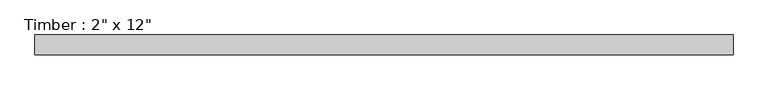
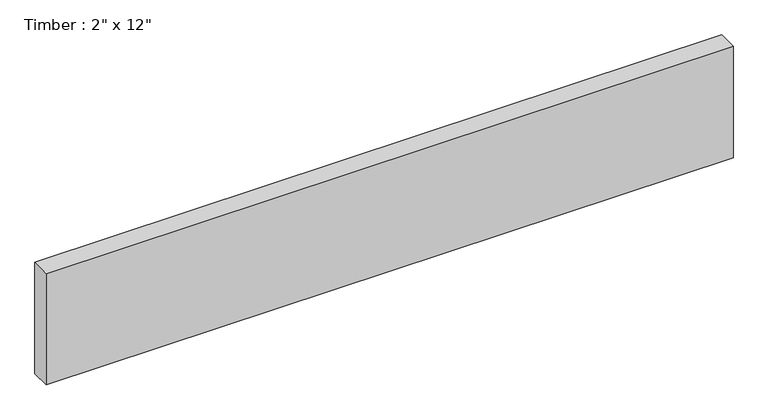
"""IFC4 building model written with IfcOpenShell, lengths in millimetres: beam geometry."""

from ifc_helpers import new_model, si_unit, frame, origin, place, context, project, spatial, polyline, outline, extrude, source, transform, mapped, element, save


def beam_908060d9(model_context):
    return source(origin(), model_context, "Body", "SweptSolid", [
        extrude(outline(polyline([(888.9742208, 25.4), (888.9742208, -25.4), (-888.9742208, -25.4), (-888.9742208, 25.4), (888.9742208, 25.4)])), frame((0.0, 0.0, -152.4), z_axis=(0.0, 0.0, 1.0), x_axis=(1.0, 0.0, 0.0)), (0.0, 0.0, 1.0), 304.8),
    ])


if __name__ == "__main__":
    model = new_model("IFC4")
    model_context = context("Model", 3, world=origin())
    ifc_project = project(units=[si_unit("LENGTHUNIT", "METRE", prefix="MILLI")], contexts=[model_context])
    site = spatial("IfcSite", under=ifc_project)
    building = spatial("IfcBuilding", under=site)
    placement = place(None, origin())
    beam_shape = beam_908060d9(model_context)
    element("IfcBeam", 1, ObjectType="Timber : 2\" x 12\"", at=placement, inside=building, context=model_context, shape_type="MappedRepresentation", body=[
        mapped(beam_shape, transform((0.0, 0.0, 0.0), x_axis=(1.0, 0.0, 0.0), y_axis=(0.0, 1.0, 0.0), z_axis=(0.0, 0.0, 1.0))),
    ])
    save(model, "model.ifc")
